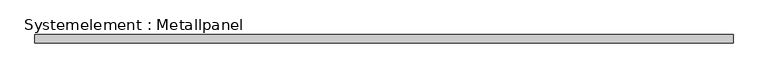
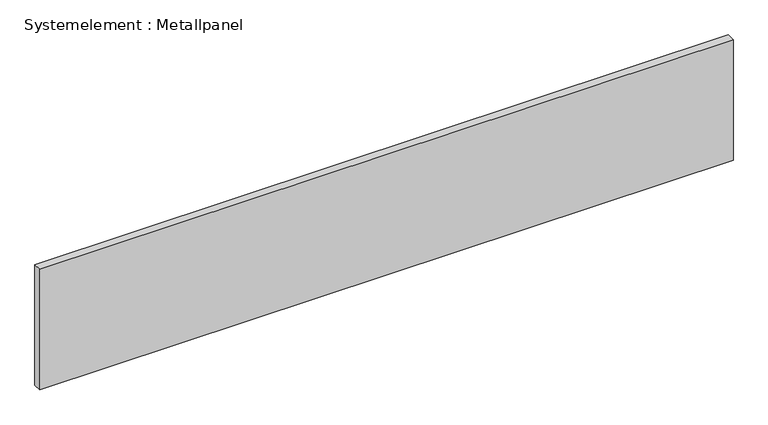
"""IFC4 building model written with IfcOpenShell, lengths in millimetres: plate geometry, Systemelement : Metallpanel."""

from ifc_helpers import new_model, si_unit, origin, origin_with_axes, place, context, project, spatial, polyline, outline, extrude, source, transform, mapped, element, save


def systemelement_metallpanel_4781f2ea(model_context):
    return source(origin(), model_context, "Body", "SweptSolid", [
        extrude(outline(polyline([(1249.9999999, -15.0), (-1249.9999999, -15.0), (-1249.9999999, 15.0), (1249.9999999, 15.0), (1249.9999999, -15.0)])), origin_with_axes(), (0.0, 0.0, 1.0), 460.0),
    ])


if __name__ == "__main__":
    model = new_model("IFC4")
    model_context = context("Model", 3, world=origin())
    ifc_project = project(units=[si_unit("LENGTHUNIT", "METRE", prefix="MILLI")], contexts=[model_context])
    site = spatial("IfcSite", under=ifc_project)
    building = spatial("IfcBuilding", under=site)
    placement = place(None, origin())
    systemelement_metallpanel_shape = systemelement_metallpanel_4781f2ea(model_context)
    element("IfcPlate", 1, ObjectType="Systemelement : Metallpanel", at=placement, inside=building, context=model_context, shape_type="MappedRepresentation", body=[
        mapped(systemelement_metallpanel_shape, transform((0.0, 0.0, 0.0), x_axis=(1.0, 0.0, 0.0), y_axis=(0.0, 1.0, 0.0), z_axis=(0.0, 0.0, 1.0))),
    ])
    save(model, "model.ifc")
